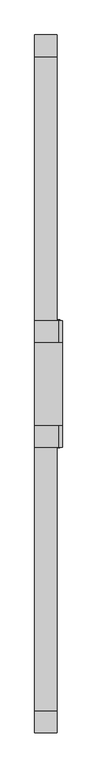
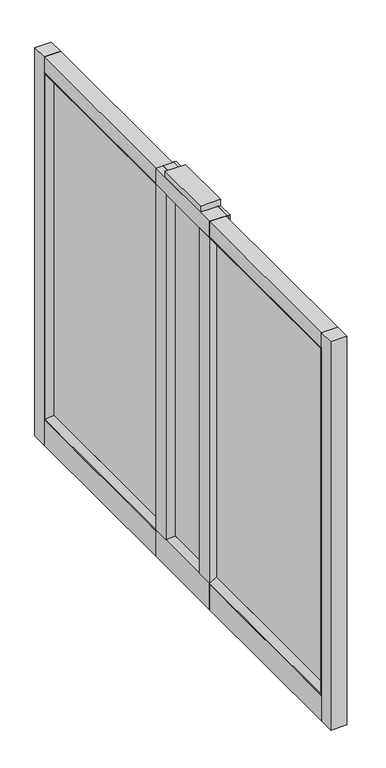
"""IFC4 building model written with IfcOpenShell, lengths in millimetres: furniture geometry."""

from ifc_helpers import new_model, si_unit, frame, origin, place, context, project, spatial, polyline, circle_curve, outline, extrude, faceted_brep, source, transform, mapped, element, save
from ifc_brep_helpers import plane_surface, cylinder_surface, advanced_brep


def furniture_d33a27cd(model_context):
    return source(origin(), model_context, "Body", "SolidModel", [
        extrude(outline(polyline([(191.5692127, -1985.1264948), (142.8289496, -1985.1264948), (142.8289496, -1933.8436217), (163.4664253, -1921.1690138), (169.8164374, -1921.1690138), (191.5692127, -1933.8479154), (191.5692127, -1985.1264948)])), frame((0.0, 0.0, 92.4559993), z_axis=(0.0, 0.0, 1.0), x_axis=(1.0, 0.0, 0.0)), (0.0, 0.0, 1.0), 1085.0879677),
        extrude(outline(polyline([(191.5692127, -1708.9015009), (191.5692127, -1759.9806149), (169.8164374, -1772.6552046), (163.4664253, -1772.6552046), (142.8289496, -1759.9806149), (142.8289496, -1708.9015009), (191.5692127, -1708.9015009)])), frame((0.0, 0.0, 92.4559993), z_axis=(0.0, 0.0, 1.0), x_axis=(1.0, 0.0, 0.0)), (0.0, 0.0, 1.0), 1085.0879677),
        faceted_brep([(163.4664253, -1708.9015009, 1164.8693773), (142.8289496, -1708.9015009, 1177.5439671), (142.8289496, -1708.9015009, 1228.725), (195.2234706, -1708.9015009, 1228.725), (195.2234706, -1708.9015009, 9.525), (142.8289496, -1708.9015009, 9.525), (142.8289496, -1708.9015009, 92.4559993), (163.4664253, -1708.9015009, 105.1305981), (163.4664253, -1708.9015009, 92.4559993), (169.8164374, -1708.9015009, 92.4559993), (169.8164374, -1708.9015009, 1181.1043361), (163.4664253, -1708.9015009, 1181.1043361), (142.8289496, -1985.1264948, 1177.5439671), (163.4664253, -1985.1264948, 1164.8693773), (163.4664253, -1985.1264948, 1181.1043361), (169.8164374, -1985.1264948, 1181.1043361), (169.8164374, -1985.1264948, 92.4559993), (163.4664253, -1985.1264948, 92.4559993), (163.4664253, -1985.1264948, 105.1305981), (142.8289348, -1985.1264948, 92.4559993), (142.8289496, -1985.1264948, 9.525), (195.2234706, -1985.1264948, 9.525), (195.2234706, -1985.1264948, 1228.725), (142.8289496, -1985.1264948, 1228.725), (195.2234706, -1937.3996062, 1228.725), (190.4609704, -1937.3996062, 1228.725), (190.4609704, -1756.6283895, 1228.725), (195.2234706, -1756.6283895, 1228.725), (163.4664253, -1772.6552046, 1164.8693773), (163.4664253, -1921.1690138, 1164.8693773), (195.2234706, -1937.3996062, 9.525), (195.2234706, -1756.6283895, 9.525), (190.4609704, -1756.6283895, 9.525), (190.4609704, -1937.3996062, 9.525), (190.4609704, -1937.3996062, 92.4559993), (169.8164374, -1937.3996062, 92.4559993), (169.8164374, -1937.3996062, 1181.1043361), (190.4609704, -1937.3996062, 1181.1043361), (190.4609704, -1756.6283895, 1181.1043361), (169.8164374, -1756.6283895, 1181.1043361), (169.8164374, -1756.6283895, 92.4559993), (190.4609704, -1756.6283895, 92.4559993), (163.4664253, -1921.1690138, 105.1305981), (163.4664253, -1772.6552046, 105.1305981)], [[[0, 1, 2, 3, 4, 5, 6, 7, 8, 9, 10, 11]], [[12, 13, 14, 15, 16, 17, 18, 19, 20, 21, 22, 23]], [[2, 23, 22, 24, 25, 26, 27, 3]], [[28, 0, 11, 14, 13, 29]], [[1, 0, 28, 29, 13, 12]], [[23, 2, 1, 12]], [[30, 21, 20, 5, 4, 31, 32, 33]], [[24, 22, 21, 30]], [[24, 30, 33, 34, 35, 36, 37, 25]], [[35, 16, 15, 36]], [[31, 27, 26, 38, 39, 40, 41, 32]], [[3, 27, 31, 4]], [[9, 40, 39, 10]], [[33, 32, 41, 34]], [[6, 5, 20, 19]], [[34, 41, 40, 9, 8, 17, 16, 35]], [[26, 25, 37, 38]], [[15, 14, 11, 10, 39, 38, 37, 36]], [[7, 6, 19, 18, 42, 43]], [[8, 7, 43, 42, 18, 17]]]),
        faceted_brep([(163.4664253, -1772.6552046, 105.1305981), (163.4664253, -1772.6552046, 1164.8693773), (169.8164374, -1772.6552046, 1164.8693773), (169.8164374, -1772.6552046, 105.1305981), (163.4664253, -1921.1690138, 105.1305981), (169.8164374, -1921.1690138, 105.1305981), (169.8164374, -1921.1690138, 1164.8693773), (163.4664253, -1921.1690138, 1164.8693773)], [[[0, 1, 2, 3]], [[4, 5, 6, 7]], [[1, 0, 4, 7]], [[2, 1, 7, 6]], [[3, 2, 6, 5]], [[0, 3, 5, 4]]]),
        extrude(outline(polyline([(142.8289496, -2561.4758515), (142.8289496, -1985.1264948), (191.5692127, -1985.1264948), (191.5692127, -2561.4758515), (142.8289496, -2561.4758515)])), frame((0.0, 0.0, 9.525), z_axis=(0.0, 0.0, 1.0), x_axis=(1.0, 0.0, 0.0)), (0.0, 0.0, 1.0), 79.3750027),
        extrude(outline(polyline([(163.4664253, -2545.409572), (163.4664253, -1985.1264948), (169.8164374, -1985.1264948), (169.8164374, -2545.409572), (163.4664253, -2545.409572)])), frame((0.0, 0.0, 105.1305981), z_axis=(0.0, 0.0, 1.0), x_axis=(1.0, 0.0, 0.0)), (0.0, 0.0, 1.0), 1059.7387792),
        extrude(outline(polyline([(142.8289496, -2609.1008515), (142.8289496, -2561.4758515), (191.5692127, -2561.4758515), (191.5692127, -2609.1008515), (142.8289496, -2609.1008515)])), frame((0.0, 0.0, 9.525), z_axis=(0.0, 0.0, 1.0), x_axis=(1.0, 0.0, 0.0)), (0.0, 0.0, 1.0), 1219.2),
        extrude(outline(polyline([(142.8289496, -1132.7258515), (142.8289496, -1085.1008515), (191.5692127, -1085.1008515), (191.5692127, -1132.7258515), (142.8289496, -1132.7258515)])), frame((0.0, 0.0, 9.525), z_axis=(0.0, 0.0, 1.0), x_axis=(1.0, 0.0, 0.0)), (0.0, 0.0, 1.0), 1219.2),
        extrude(outline(polyline([(142.8289496, -1708.9015009), (142.8289496, -1132.7258515), (191.5692127, -1132.7258515), (191.5692127, -1708.9015009), (142.8289496, -1708.9015009)])), frame((0.0, 0.0, 9.525), z_axis=(0.0, 0.0, 1.0), x_axis=(1.0, 0.0, 0.0)), (0.0, 0.0, 1.0), 79.3750027),
        extrude(outline(polyline([(142.8289496, -1708.9015009), (142.8289496, -1132.7258515), (191.5692127, -1132.7258515), (191.5692127, -1708.9015009), (142.8289496, -1708.9015009)])), frame((0.0, 0.0, 1181.0999727), z_axis=(0.0, 0.0, 1.0), x_axis=(1.0, 0.0, 0.0)), (0.0, 0.0, 1.0), 47.6250273),
        extrude(outline(polyline([(142.8289496, -2561.4758515), (142.8289496, -1985.1264948), (191.5692127, -1985.1264948), (191.5692127, -2561.4758515), (142.8289496, -2561.4758515)])), frame((0.0, 0.0, 1181.0999727), z_axis=(0.0, 0.0, 1.0), x_axis=(1.0, 0.0, 0.0)), (0.0, 0.0, 1.0), 47.6250273),
        extrude(outline(polyline([(163.4664253, -1708.9015009), (163.4664253, -1148.792131), (169.8164374, -1148.792131), (169.8164374, -1708.9015009), (163.4664253, -1708.9015009)])), frame((0.0, 0.0, 105.1305981), z_axis=(0.0, 0.0, 1.0), x_axis=(1.0, 0.0, 0.0)), (0.0, 0.0, 1.0), 1059.7387792),
        faceted_brep([(142.8289496, -1985.1264948, 92.4560084), (163.4664253, -1985.1264948, 105.1305981), (169.8164374, -1985.1264948, 105.1305981), (190.4609704, -1985.1264948, 92.4516966), (190.4609704, -1985.1264948, 88.9000027), (142.8289496, -1985.1264948, 88.9000027), (142.8289496, -2558.0841618, 92.4560084), (163.4664253, -2545.409572, 105.1305981), (169.8164374, -2545.409572, 105.1305981), (190.4609704, -2558.0884736, 92.4516966), (190.4609704, -2558.0884736, 1177.5482789), (190.4609704, -1985.1264948, 1177.5482789), (190.4609704, -1985.1264948, 1181.0999727), (190.4609704, -2561.6401675, 1181.0999727), (190.4609704, -2561.6401675, 88.9000027), (142.8289496, -2561.6401675, 88.9000027), (142.8289496, -2561.6401675, 1181.0999727), (142.8289496, -1985.1264948, 1181.0999727), (142.8289496, -1985.1264948, 1177.5439671), (142.8289496, -2558.0841618, 1177.5439671), (163.4664253, -2545.409572, 1164.8693773), (169.8164374, -2545.409572, 1164.8693773), (169.8164374, -1985.1264948, 1164.8693773), (163.4664253, -1985.1264948, 1164.8693773)], [[[0, 1, 2, 3, 4, 5]], [[1, 0, 6, 7]], [[2, 1, 7, 8]], [[3, 2, 8, 9]], [[4, 3, 9, 10, 11, 12, 13, 14]], [[5, 4, 14, 15]], [[0, 5, 15, 16, 17, 18, 19, 6]], [[7, 6, 19, 20]], [[8, 7, 20, 21]], [[9, 8, 21, 10]], [[15, 14, 13, 16]], [[18, 17, 12, 11, 22, 23]], [[20, 19, 18, 23]], [[21, 20, 23, 22]], [[10, 21, 22, 11]], [[16, 13, 12, 17]]]),
        faceted_brep([(142.8289496, -1708.9015009, 1181.0999727), (142.8289496, -1708.9015009, 1177.5439671), (163.4664253, -1708.9015009, 1164.8693773), (169.8164374, -1708.9015009, 1164.8693773), (190.4609704, -1708.9015009, 1177.5482789), (190.4609704, -1708.9015009, 1181.0999727), (142.8289496, -1132.5615356, 1181.0999727), (142.8289496, -1132.5615356, 88.9000027), (142.8289496, -1708.9015009, 88.9000027), (142.8289496, -1708.9015009, 92.4560084), (142.8289496, -1136.1175413, 92.4560084), (142.8289496, -1136.1175413, 1177.5439671), (163.4664253, -1148.792131, 1164.8693773), (169.8164374, -1148.792131, 1164.8693773), (190.4609704, -1136.1132294, 1177.5482789), (190.4609704, -1136.1132294, 92.4516966), (190.4609704, -1708.9015009, 92.4516966), (190.4609704, -1708.9015009, 88.9000027), (190.4609704, -1132.5615356, 88.9000027), (190.4609704, -1132.5615356, 1181.0999727), (163.4664253, -1148.792131, 105.1305981), (169.8164374, -1148.792131, 105.1305981), (169.8164374, -1708.9015009, 105.1305981), (163.4664253, -1708.9015009, 105.1305981)], [[[0, 1, 2, 3, 4, 5]], [[1, 0, 6, 7, 8, 9, 10, 11]], [[2, 1, 11, 12]], [[3, 2, 12, 13]], [[4, 3, 13, 14]], [[5, 4, 14, 15, 16, 17, 18, 19]], [[0, 5, 19, 6]], [[12, 11, 10, 20]], [[13, 12, 20, 21]], [[14, 13, 21, 15]], [[6, 19, 18, 7]], [[8, 17, 16, 22, 23, 9]], [[20, 10, 9, 23]], [[21, 20, 23, 22]], [[15, 21, 22, 16]], [[7, 18, 17, 8]]]),
        advanced_brep(
        [(166.6414314, -2529.7258515, 31.7500003), (166.6414314, -2542.4258515, 31.7500003), (166.6414314, -2536.0758515, 31.7500003), (166.6414314, -2529.7258515, 4.7625), (166.6414314, -2542.4258515, 4.7625), (166.6414314, -2523.3758515, 4.7625), (166.6414314, -2548.7758515, 4.7625), (166.6414314, -2523.3758515, 0.0), (166.6414314, -2548.7758515, 0.0), (166.6414314, -2536.0758515, 0.0)],
        [
            (0, 1, circle_curve(frame((166.6414314, -2536.0758515, 31.7500003), z_axis=(0.0, 0.0, 1.0), x_axis=(0.0, -1.0, 0.0)), 6.35)),
            (1, 2),
            (2, 0),
            (1, 0, circle_curve(frame((166.6414314, -2536.0758515, 31.7500003), z_axis=(0.0, 0.0, 1.0), x_axis=(0.0, -1.0, 0.0)), 6.35)),
            (3, 4, circle_curve(frame((166.6414314, -2536.0758515, 4.7625), z_axis=(0.0, 0.0, 1.0), x_axis=(0.0, -1.0, 0.0)), 6.35)),
            (4, 1),
            (0, 3),
            (4, 3, circle_curve(frame((166.6414314, -2536.0758515, 4.7625), z_axis=(0.0, 0.0, 1.0), x_axis=(0.0, -1.0, 0.0)), 6.35)),
            (5, 6, circle_curve(frame((166.6414314, -2536.0758515, 4.7625), z_axis=(0.0, 0.0, 1.0), x_axis=(0.0, -1.0, 0.0)), 12.7)),
            (6, 4),
            (3, 5),
            (6, 5, circle_curve(frame((166.6414314, -2536.0758515, 4.7625), z_axis=(0.0, 0.0, 1.0), x_axis=(0.0, -1.0, 0.0)), 12.7)),
            (7, 8, circle_curve(frame((166.6414314, -2536.0758515, 0.0), z_axis=(0.0, 0.0, 1.0), x_axis=(0.0, -1.0, 0.0)), 12.7)),
            (8, 6),
            (5, 7),
            (8, 7, circle_curve(frame((166.6414314, -2536.0758515, 0.0), z_axis=(0.0, 0.0, 1.0), x_axis=(0.0, -1.0, 0.0)), 12.7)),
            (9, 8),
            (7, 9),
        ],
        [
            plane_surface(frame((166.6414314, -2536.0758515, 31.7500003), z_axis=(0.0, 0.0, 1.0), x_axis=(0.0, -1.0, 0.0))),
            cylinder_surface(frame((166.6414314, -2536.0758515, 119.5096682), z_axis=(0.0, 0.0, -1.0), x_axis=(0.0, -1.0, 0.0)), 6.35),
            plane_surface(frame((166.6414314, -2536.0758515, 4.7625), z_axis=(0.0, 0.0, 1.0), x_axis=(0.0, -1.0, 0.0))),
            cylinder_surface(frame((166.6414314, -2536.0758515, 119.5096682), z_axis=(0.0, 0.0, -1.0), x_axis=(0.0, -1.0, 0.0)), 12.7),
            plane_surface(frame((166.6414314, -2536.0758515, 0.0), z_axis=(0.0, 0.0, -1.0), x_axis=(0.0, -1.0, 0.0))),
        ],
        [
            (0, [[1, 2, 3]]),
            (0, [[4, -3, -2]]),
            (1, [[5, 6, -1, 7]]),
            (1, [[8, -7, -4, -6]]),
            (2, [[9, 10, -5, 11]]),
            (2, [[12, -11, -8, -10]]),
            (3, [[13, 14, -9, 15]]),
            (3, [[16, -15, -12, -14]]),
            (4, [[17, -13, 18]]),
            (4, [[-18, -16, -17]]),
        ],
    ),
        advanced_brep(
        [(166.6414314, -1158.1258515, 0.0), (166.6414314, -1170.8258515, 0.0), (166.6414314, -1145.4258515, 0.0), (166.6414314, -1151.7758515, 31.7500003), (166.6414314, -1164.4758515, 31.7500003), (166.6414314, -1158.1258515, 31.7500003), (166.6414314, -1151.7758515, 4.7625), (166.6414314, -1164.4758515, 4.7625), (166.6414314, -1145.4258515, 4.7625), (166.6414314, -1170.8258515, 4.7625)],
        [
            (0, 1),
            (1, 2, circle_curve(frame((166.6414314, -1158.1258515, 0.0), z_axis=(0.0, 0.0, -1.0), x_axis=(0.0, -1.0, 0.0)), 12.7)),
            (2, 0),
            (2, 1, circle_curve(frame((166.6414314, -1158.1258515, 0.0), z_axis=(0.0, 0.0, -1.0), x_axis=(0.0, -1.0, 0.0)), 12.7)),
            (3, 4, circle_curve(frame((166.6414314, -1158.1258515, 31.7500003), z_axis=(0.0, 0.0, 1.0), x_axis=(0.0, -1.0, 0.0)), 6.35)),
            (4, 5),
            (5, 3),
            (4, 3, circle_curve(frame((166.6414314, -1158.1258515, 31.7500003), z_axis=(0.0, 0.0, 1.0), x_axis=(0.0, -1.0, 0.0)), 6.35)),
            (6, 7, circle_curve(frame((166.6414314, -1158.1258515, 4.7625), z_axis=(0.0, 0.0, 1.0), x_axis=(0.0, -1.0, 0.0)), 6.35)),
            (7, 4),
            (3, 6),
            (7, 6, circle_curve(frame((166.6414314, -1158.1258515, 4.7625), z_axis=(0.0, 0.0, 1.0), x_axis=(0.0, -1.0, 0.0)), 6.35)),
            (8, 9, circle_curve(frame((166.6414314, -1158.1258515, 4.7625), z_axis=(0.0, 0.0, 1.0), x_axis=(0.0, -1.0, 0.0)), 12.7)),
            (9, 7),
            (6, 8),
            (9, 8, circle_curve(frame((166.6414314, -1158.1258515, 4.7625), z_axis=(0.0, 0.0, 1.0), x_axis=(0.0, -1.0, 0.0)), 12.7)),
            (1, 9),
            (8, 2),
        ],
        [
            plane_surface(frame((166.6414314, -1158.1258515, 0.0), z_axis=(0.0, 0.0, -1.0), x_axis=(0.0, -1.0, 0.0))),
            plane_surface(frame((166.6414314, -1158.1258515, 31.7500003), z_axis=(0.0, 0.0, 1.0), x_axis=(0.0, -1.0, 0.0))),
            cylinder_surface(frame((166.6414314, -1158.1258515, 128.4525152), z_axis=(0.0, 0.0, -1.0), x_axis=(0.0, -1.0, 0.0)), 6.35),
            plane_surface(frame((166.6414314, -1158.1258515, 4.7625), z_axis=(0.0, 0.0, 1.0), x_axis=(0.0, -1.0, 0.0))),
            cylinder_surface(frame((166.6414314, -1158.1258515, 128.4525152), z_axis=(0.0, 0.0, -1.0), x_axis=(0.0, -1.0, 0.0)), 12.7),
        ],
        [
            (0, [[1, 2, 3]]),
            (0, [[-3, 4, -1]]),
            (1, [[5, 6, 7]]),
            (1, [[8, -7, -6]]),
            (2, [[9, 10, -5, 11]]),
            (2, [[12, -11, -8, -10]]),
            (3, [[13, 14, -9, 15]]),
            (3, [[16, -15, -12, -14]]),
            (4, [[-2, 17, -13, 18]]),
            (4, [[-4, -18, -16, -17]]),
        ],
    ),
        faceted_brep([(169.8164374, -1921.1690138, 1164.8693773), (190.4609704, -1933.8479154, 1177.5482789), (190.4609704, -1933.8479154, 92.4516966), (169.8164374, -1921.1690138, 105.1305981), (163.4664253, -1921.1690138, 1164.8693773), (163.4664253, -1921.1690138, 105.1305981), (190.4609704, -1985.0246364, 1228.725), (163.4664253, -1985.0246364, 1228.725), (163.4664253, -1985.0246364, 41.2749755), (190.4609704, -1985.0246364, 41.2749755), (190.4609704, -1759.976303, 92.4516966), (169.8164374, -1772.6552046, 105.1305981), (163.4664253, -1772.6552046, 105.1305981), (163.4664253, -1708.7995819, 41.2749755), (190.4609704, -1708.7995819, 41.2749755), (190.4609704, -1759.976303, 1177.5482789), (169.8164374, -1772.6552046, 1164.8693773), (163.4664253, -1772.6552046, 1164.8693773), (163.4664253, -1708.7995819, 1228.725), (190.4609704, -1708.7995819, 1228.725)], [[[0, 1, 2, 3]], [[4, 0, 3, 5]], [[6, 7, 8, 9]], [[3, 2, 10, 11]], [[5, 3, 11, 12]], [[9, 8, 13, 14]], [[11, 10, 15, 16]], [[12, 11, 16, 17]], [[14, 13, 18, 19]], [[9, 14, 19, 6], [1, 15, 10, 2]], [[16, 15, 1, 0]], [[17, 16, 0, 4]], [[7, 18, 13, 8], [5, 12, 17, 4]], [[19, 18, 7, 6]]]),
        extrude(outline(polyline([(203.1609711, -1937.3996062), (203.1609711, -1985.1264948), (195.2234706, -1985.1264948), (195.2234706, -1937.3996062), (203.1609711, -1937.3996062)])), frame((0.0, 0.0, 9.525), z_axis=(0.0, 0.0, 1.0), x_axis=(1.0, 0.0, 0.0)), (0.0, 0.0, 1.0), 1219.2),
        extrude(outline(polyline([(203.1609711, -1756.6283895), (195.2234706, -1756.6283895), (195.2234706, -1708.9015009), (203.1609711, -1708.9015009), (203.1609711, -1756.6283895)])), frame((0.0, 0.0, 9.525), z_axis=(0.0, 0.0, 1.0), x_axis=(1.0, 0.0, 0.0)), (0.0, 0.0, 1.0), 1219.2),
        extrude(outline(polyline([(191.5692127, -1707.3140009), (198.4019216, -1707.3140009), (198.4019216, -1708.9015009), (190.4609704, -1708.9015009), (191.5692127, -1707.3140009)])), frame((0.0, 0.0, 9.525), z_axis=(0.0, 0.0, 1.0), x_axis=(1.0, 0.0, 0.0)), (0.0, 0.0, 1.0), 1219.2),
        extrude(outline(polyline([(198.4019216, -1986.6121062), (191.5692127, -1986.6121062), (190.4609704, -1985.1264948), (198.4019216, -1985.1264948), (198.4019216, -1986.6121062)])), frame((0.0, 0.0, 9.525), z_axis=(0.0, 0.0, 1.0), x_axis=(1.0, 0.0, 0.0)), (0.0, 0.0, 1.0), 1219.2),
        extrude(outline(polyline([(190.4609704, -1937.3996062), (191.5692127, -1935.8121062), (198.4019216, -1935.8121062), (198.4019216, -1937.3996062), (190.4609704, -1937.3996062)])), frame((0.0, 0.0, 9.525), z_axis=(0.0, 0.0, 1.0), x_axis=(1.0, 0.0, 0.0)), (0.0, 0.0, 1.0), 1219.2),
        extrude(outline(polyline([(198.4019216, -1758.1140009), (191.5692127, -1758.1140009), (190.4609704, -1756.6283895), (198.4019216, -1756.6283895), (198.4019216, -1758.1140009)])), frame((0.0, 0.0, 9.525), z_axis=(0.0, 0.0, 1.0), x_axis=(1.0, 0.0, 0.0)), (0.0, 0.0, 1.0), 1219.2),
        extrude(outline(polyline([(142.8289496, -1937.3996062), (142.8289496, -1756.6283895), (203.1609711, -1756.6283895), (203.1609711, -1937.3996062), (142.8289496, -1937.3996062)])), frame((0.0, 0.0, 1228.725), z_axis=(0.0, 0.0, 1.0), x_axis=(1.0, 0.0, 0.0)), (0.0, 0.0, 1.0), 19.05),
        extrude(outline(polyline([(169.8164374, -1756.6283895), (190.4609704, -1756.6283895), (190.4609704, -1937.3996062), (169.8164374, -1937.3996062), (169.8164374, -1756.6283895)])), frame((0.0, 0.0, 1181.1043361), z_axis=(0.0, 0.0, 1.0), x_axis=(1.0, 0.0, 0.0)), (0.0, 0.0, 1.0), 47.6206639),
    ])


if __name__ == "__main__":
    model = new_model("IFC4")
    model_context = context("Model", 3, world=origin())
    ifc_project = project(units=[si_unit("LENGTHUNIT", "METRE", prefix="MILLI")], contexts=[model_context])
    site = spatial("IfcSite", under=ifc_project)
    building = spatial("IfcBuilding", under=site)
    placement = place(None, origin())
    furniture_shape = furniture_d33a27cd(model_context)
    element("IfcFurniture", 1, at=placement, inside=building, context=model_context, shape_type="MappedRepresentation", body=[
        mapped(furniture_shape, transform((0.0, 0.0, 0.0), x_axis=(1.0, 0.0, 0.0), y_axis=(0.0, 1.0, 0.0), z_axis=(0.0, 0.0, 1.0))),
    ])
    save(model, "model.ifc")
